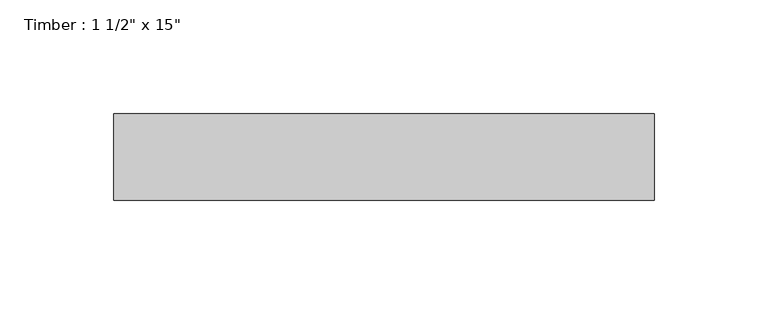
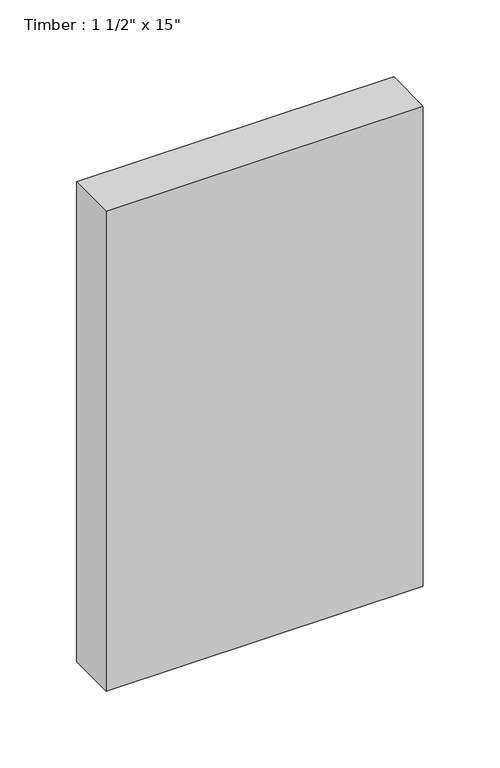
"""IFC4 building model written with IfcOpenShell, lengths in millimetres: beam geometry."""

from ifc_helpers import new_model, si_unit, frame, origin, place, context, project, spatial, polyline, outline, extrude, source, transform, mapped, element, save


def beam_2459034c(model_context):
    return source(origin(), model_context, "Body", "SweptSolid", [
        extrude(outline(polyline([(119.0625, 19.05), (119.0625, -19.05), (-119.0625, -19.05), (-119.0625, 19.05), (119.0625, 19.05)])), frame((0.0, 0.0, -190.5), z_axis=(0.0, 0.0, 1.0), x_axis=(1.0, 0.0, 0.0)), (0.0, 0.0, 1.0), 381.0),
    ])


if __name__ == "__main__":
    model = new_model("IFC4")
    model_context = context("Model", 3, world=origin())
    ifc_project = project(units=[si_unit("LENGTHUNIT", "METRE", prefix="MILLI")], contexts=[model_context])
    site = spatial("IfcSite", under=ifc_project)
    building = spatial("IfcBuilding", under=site)
    placement = place(None, origin())
    beam_shape = beam_2459034c(model_context)
    element("IfcBeam", 1, ObjectType="Timber : 1 1/2\" x 15\"", at=placement, inside=building, context=model_context, shape_type="MappedRepresentation", body=[
        mapped(beam_shape, transform((0.0, 0.0, 0.0), x_axis=(1.0, 0.0, 0.0), y_axis=(0.0, 1.0, 0.0), z_axis=(0.0, 0.0, 1.0))),
    ])
    save(model, "model.ifc")
